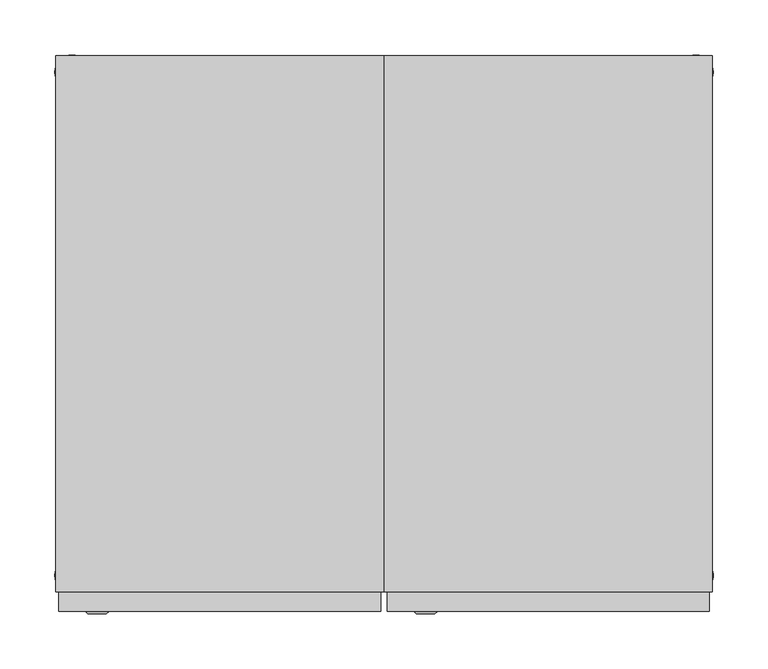
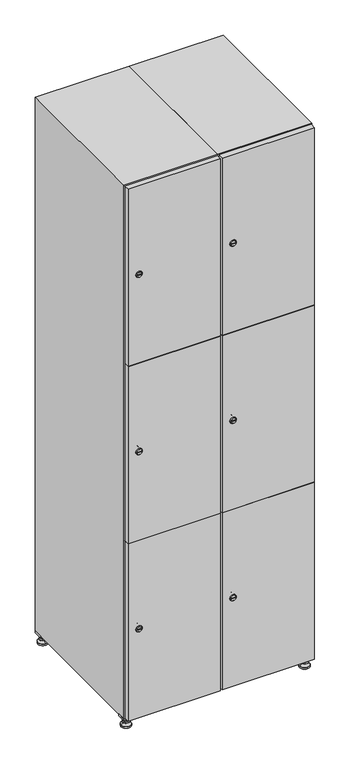
"""IFC4 building model written with IfcOpenShell, lengths in millimetres: furniture geometry."""

from ifc_helpers import new_model, si_unit, point, frame, frame_2d, origin, origin_with_axes, place, context, project, spatial, polyline, circle_curve, trimmed, segment, composite_curve, outline, extrude, faceted_brep, source, transform, mapped, element, save
from ifc_brep_helpers import plane_surface, revolved_surface, advanced_brep


def furniture_366f15eb(model_context):
    return source(origin(), model_context, "Body", "SolidModel", [
        extrude(outline(polyline([(400.0, 245.0), (400.0, 215.0), (370.0, 215.0), (370.0, 245.0), (400.0, 245.0)]), holes=[polyline([(398.0, 243.0), (372.0, 243.0), (372.0, 217.0), (398.0, 217.0), (398.0, 243.0)])]), frame((0.0, 0.0, 28.5), z_axis=(0.0, 0.0, 1.0), x_axis=(1.0, 0.0, 0.0)), (0.0, 0.0, 1.0), 6.5),
        extrude(outline(polyline([(370.0, -245.0), (370.0, -215.0), (400.0, -215.0), (400.0, -245.0), (370.0, -245.0)]), holes=[polyline([(372.0, -243.0), (398.0, -243.0), (398.0, -217.0), (372.0, -217.0), (372.0, -243.0)])]), frame((0.0, 0.0, 28.5), z_axis=(0.0, 0.0, 1.0), x_axis=(1.0, 0.0, 0.0)), (0.0, 0.0, 1.0), 6.5),
        extrude(outline(polyline([(-170.0, 245.0), (-170.0, 215.0), (-200.0, 215.0), (-200.0, 245.0), (-170.0, 245.0)]), holes=[polyline([(-172.0, 243.0), (-198.0, 243.0), (-198.0, 217.0), (-172.0, 217.0), (-172.0, 243.0)])]), frame((0.0, 0.0, 28.5), z_axis=(0.0, 0.0, 1.0), x_axis=(1.0, 0.0, 0.0)), (0.0, 0.0, 1.0), 6.5),
        extrude(outline(polyline([(-170.0, -215.0), (-170.0, -245.0), (-200.0, -245.0), (-200.0, -215.0), (-170.0, -215.0)]), holes=[polyline([(-198.0, -243.0), (-172.0, -243.0), (-172.0, -217.0), (-198.0, -217.0), (-198.0, -243.0)])]), frame((0.0, 0.0, 28.5), z_axis=(0.0, 0.0, 1.0), x_axis=(1.0, 0.0, 0.0)), (0.0, 0.0, 1.0), 6.5),
        extrude(outline(composite_curve([segment(trimmed(circle_curve(frame_2d((-185.0, 230.0)), 5.0), [point((-180.0, 230.0))], [point((-190.0, 230.0))], False, "CARTESIAN"), True, "CONTINUOUS"), segment(trimmed(circle_curve(frame_2d((-185.0, 230.0)), 5.0), [point((-190.0, 230.0))], [point((-180.0, 230.0))], False, "CARTESIAN"), True, "CONTINUOUS")], self_intersect=False)), frame((0.0, 0.0, 19.6), z_axis=(0.0, 0.0, 1.0), x_axis=(1.0, 0.0, 0.0)), (0.0, 0.0, 1.0), 15.4),
        extrude(outline(composite_curve([segment(trimmed(circle_curve(frame_2d((-185.0, -230.0)), 5.0), [point((-180.0, -230.0))], [point((-190.0, -230.0))], False, "CARTESIAN"), True, "CONTINUOUS"), segment(trimmed(circle_curve(frame_2d((-185.0, -230.0)), 5.0), [point((-190.0, -230.0))], [point((-180.0, -230.0))], False, "CARTESIAN"), True, "CONTINUOUS")], self_intersect=False)), frame((0.0, 0.0, 19.6), z_axis=(0.0, 0.0, 1.0), x_axis=(1.0, 0.0, 0.0)), (0.0, 0.0, 1.0), 15.4),
        extrude(outline(composite_curve([segment(trimmed(circle_curve(frame_2d((385.0, 230.0)), 5.0), [point((390.0, 230.0))], [point((380.0, 230.0))], False, "CARTESIAN"), True, "CONTINUOUS"), segment(trimmed(circle_curve(frame_2d((385.0, 230.0)), 5.0), [point((380.0, 230.0))], [point((390.0, 230.0))], False, "CARTESIAN"), True, "CONTINUOUS")], self_intersect=False)), frame((0.0, 0.0, 19.6), z_axis=(0.0, 0.0, 1.0), x_axis=(1.0, 0.0, 0.0)), (0.0, 0.0, 1.0), 15.4),
        extrude(outline(polyline([(373.4529946, 230.0), (379.2264973, 240.0), (390.7735027, 240.0), (396.5470054, 230.0), (390.7735027, 220.0), (379.2264973, 220.0), (373.4529946, 230.0)])), frame((0.0, 0.0, 13.6), z_axis=(0.0, 0.0, 1.0), x_axis=(1.0, 0.0, 0.0)), (0.0, 0.0, 1.0), 6.0),
        extrude(outline(composite_curve([segment(trimmed(circle_curve(frame_2d((385.0, -230.0)), 5.0), [point((390.0, -230.0))], [point((380.0, -230.0))], False, "CARTESIAN"), True, "CONTINUOUS"), segment(trimmed(circle_curve(frame_2d((385.0, -230.0)), 5.0), [point((380.0, -230.0))], [point((390.0, -230.0))], False, "CARTESIAN"), True, "CONTINUOUS")], self_intersect=False)), frame((0.0, 0.0, 19.6), z_axis=(0.0, 0.0, 1.0), x_axis=(1.0, 0.0, 0.0)), (0.0, 0.0, 1.0), 15.4),
        extrude(outline(polyline([(373.4529946, -230.0), (379.2264973, -220.0), (390.7735027, -220.0), (396.5470054, -230.0), (390.7735027, -240.0), (379.2264973, -240.0), (373.4529946, -230.0)])), frame((0.0, 0.0, 13.6), z_axis=(0.0, 0.0, 1.0), x_axis=(1.0, 0.0, 0.0)), (0.0, 0.0, 1.0), 6.0),
        extrude(outline(composite_curve([segment(trimmed(circle_curve(frame_2d((385.0, 230.0)), 5.0), [point((390.0, 230.0))], [point((380.0, 230.0))], False, "CARTESIAN"), True, "CONTINUOUS"), segment(trimmed(circle_curve(frame_2d((385.0, 230.0)), 5.0), [point((380.0, 230.0))], [point((390.0, 230.0))], False, "CARTESIAN"), True, "CONTINUOUS")], self_intersect=False)), frame((0.0, 0.0, 12.1), z_axis=(0.0, 0.0, 1.0), x_axis=(1.0, 0.0, 0.0)), (0.0, 0.0, 1.0), 1.5),
        extrude(outline(composite_curve([segment(trimmed(circle_curve(frame_2d((385.0, -230.0)), 5.0), [point((390.0, -230.0))], [point((380.0, -230.0))], False, "CARTESIAN"), True, "CONTINUOUS"), segment(trimmed(circle_curve(frame_2d((385.0, -230.0)), 5.0), [point((380.0, -230.0))], [point((390.0, -230.0))], False, "CARTESIAN"), True, "CONTINUOUS")], self_intersect=False)), frame((0.0, 0.0, 12.1), z_axis=(0.0, 0.0, 1.0), x_axis=(1.0, 0.0, 0.0)), (0.0, 0.0, 1.0), 1.5),
        extrude(outline(polyline([(-196.5470054, 230.0), (-190.7735027, 240.0), (-179.2264973, 240.0), (-173.4529946, 230.0), (-179.2264973, 220.0), (-190.7735027, 220.0), (-196.5470054, 230.0)])), frame((0.0, 0.0, 13.6), z_axis=(0.0, 0.0, 1.0), x_axis=(1.0, 0.0, 0.0)), (0.0, 0.0, 1.0), 6.0),
        extrude(outline(polyline([(-196.5470054, -230.0), (-190.7735027, -220.0), (-179.2264973, -220.0), (-173.4529946, -230.0), (-179.2264973, -240.0), (-190.7735027, -240.0), (-196.5470054, -230.0)])), frame((0.0, 0.0, 13.6), z_axis=(0.0, 0.0, 1.0), x_axis=(1.0, 0.0, 0.0)), (0.0, 0.0, 1.0), 6.0),
        extrude(outline(composite_curve([segment(trimmed(circle_curve(frame_2d((-185.0, 230.0)), 5.0), [point((-185.0, 235.0))], [point((-185.0, 225.0))], False, "CARTESIAN"), True, "CONTINUOUS"), segment(trimmed(circle_curve(frame_2d((-185.0, 230.0)), 5.0), [point((-185.0, 225.0))], [point((-185.0, 235.0))], False, "CARTESIAN"), True, "CONTINUOUS")], self_intersect=False)), frame((0.0, 0.0, 12.1), z_axis=(0.0, 0.0, 1.0), x_axis=(1.0, 0.0, 0.0)), (0.0, 0.0, 1.0), 1.5),
        extrude(outline(composite_curve([segment(trimmed(circle_curve(frame_2d((-185.0, -230.0)), 5.0), [point((-180.0, -230.0))], [point((-190.0, -230.0))], False, "CARTESIAN"), True, "CONTINUOUS"), segment(trimmed(circle_curve(frame_2d((-185.0, -230.0)), 5.0), [point((-190.0, -230.0))], [point((-180.0, -230.0))], False, "CARTESIAN"), True, "CONTINUOUS")], self_intersect=False)), frame((0.0, 0.0, 12.1), z_axis=(0.0, 0.0, 1.0), x_axis=(1.0, 0.0, 0.0)), (0.0, 0.0, 1.0), 1.5),
        extrude(outline(composite_curve([segment(trimmed(circle_curve(frame_2d((385.0, 230.0)), 15.75), [point((400.75, 230.0))], [point((369.25, 230.0))], False, "CARTESIAN"), True, "CONTINUOUS"), segment(trimmed(circle_curve(frame_2d((385.0, 230.0)), 15.75), [point((369.25, 230.0))], [point((400.75, 230.0))], False, "CARTESIAN"), True, "CONTINUOUS")], self_intersect=False)), origin_with_axes(), (0.0, 0.0, 1.0), 5.1),
        extrude(outline(composite_curve([segment(trimmed(circle_curve(frame_2d((385.0, -230.0)), 15.75), [point((385.0, -214.25))], [point((385.0, -245.75))], False, "CARTESIAN"), True, "CONTINUOUS"), segment(trimmed(circle_curve(frame_2d((385.0, -230.0)), 15.75), [point((385.0, -245.75))], [point((385.0, -214.25))], False, "CARTESIAN"), True, "CONTINUOUS")], self_intersect=False)), origin_with_axes(), (0.0, 0.0, 1.0), 5.1),
        extrude(outline(composite_curve([segment(trimmed(circle_curve(frame_2d((-185.0, -230.0)), 15.75), [point((-169.25, -230.0))], [point((-200.75, -230.0))], False, "CARTESIAN"), True, "CONTINUOUS"), segment(trimmed(circle_curve(frame_2d((-185.0, -230.0)), 15.75), [point((-200.75, -230.0))], [point((-169.25, -230.0))], False, "CARTESIAN"), True, "CONTINUOUS")], self_intersect=False)), origin_with_axes(), (0.0, 0.0, 1.0), 5.1),
        extrude(outline(composite_curve([segment(trimmed(circle_curve(frame_2d((-185.0, 230.0)), 15.75), [point((-169.25, 230.0))], [point((-200.75, 230.0))], False, "CARTESIAN"), True, "CONTINUOUS"), segment(trimmed(circle_curve(frame_2d((-185.0, 230.0)), 15.75), [point((-200.75, 230.0))], [point((-169.25, 230.0))], False, "CARTESIAN"), True, "CONTINUOUS")], self_intersect=False)), origin_with_axes(), (0.0, 0.0, 1.0), 5.1),
        advanced_brep(
        [(-185.0, 239.5, 12.1), (-185.0, 220.5, 12.1), (-185.0, 214.25, 5.1), (-185.0, 245.75, 5.1)],
        [
            (0, 1, circle_curve(frame((-185.0, 230.0, 12.1), z_axis=(0.0, 0.0, -1.0), x_axis=(0.0, 1.0, 0.0)), 9.5)),
            (1, 2),
            (2, 3, circle_curve(frame((-185.0, 230.0, 5.1), z_axis=(0.0, 0.0, 1.0), x_axis=(0.0, 1.0, 0.0)), 15.75)),
            (3, 0),
            (1, 0, circle_curve(frame((-185.0, 230.0, 12.1), z_axis=(0.0, 0.0, -1.0), x_axis=(0.0, -1.0, 0.0)), 9.5)),
            (3, 2, circle_curve(frame((-185.0, 230.0, 5.1), z_axis=(0.0, 0.0, 1.0), x_axis=(0.0, -1.0, 0.0)), 15.75)),
        ],
        [
            revolved_surface(polyline([(-185.0, 220.5, 12.099999999999998), (-185.0, 214.25, 5.099999999999998)]), (-185.0, 230.0, 22.74), (0.0, 0.0, -1.0)),
            revolved_surface(polyline([(-185.0, 239.5, 12.099999999999998), (-185.0, 245.75, 5.099999999999998)]), (-185.0, 230.0, 22.74), (0.0, 0.0, -1.0)),
            plane_surface(frame((-185.0, 230.0, 5.1), z_axis=(0.0, 0.0, -1.0), x_axis=(1.0, 0.0, 0.0))),
            plane_surface(frame((-185.0, 230.0, 12.1), z_axis=(0.0, 0.0, 1.0), x_axis=(1.0, 0.0, 0.0))),
        ],
        [
            (0, [[1, 2, 3, 4]]),
            (1, [[5, -4, 6, -2]]),
            (2, [[-3, -6]]),
            (3, [[-5, -1]]),
        ],
    ),
        advanced_brep(
        [(385.0, 239.5, 12.1), (385.0, 220.5, 12.1), (385.0, 214.25, 5.1), (385.0, 245.75, 5.1)],
        [
            (0, 1, circle_curve(frame((385.0, 230.0, 12.1), z_axis=(0.0, 0.0, -1.0), x_axis=(0.0, 1.0, 0.0)), 9.5)),
            (1, 2),
            (2, 3, circle_curve(frame((385.0, 230.0, 5.1), z_axis=(0.0, 0.0, 1.0), x_axis=(0.0, 1.0, 0.0)), 15.75)),
            (3, 0),
            (1, 0, circle_curve(frame((385.0, 230.0, 12.1), z_axis=(0.0, 0.0, -1.0), x_axis=(0.0, -1.0, 0.0)), 9.5)),
            (3, 2, circle_curve(frame((385.0, 230.0, 5.1), z_axis=(0.0, 0.0, 1.0), x_axis=(0.0, -1.0, 0.0)), 15.75)),
        ],
        [
            revolved_surface(polyline([(385.0, 220.5, 12.099999999999998), (385.0, 214.25, 5.099999999999998)]), (385.0, 230.0, 22.74), (0.0, 0.0, -1.0)),
            revolved_surface(polyline([(385.0, 239.5, 12.099999999999998), (385.0, 245.75, 5.099999999999998)]), (385.0, 230.0, 22.74), (0.0, 0.0, -1.0)),
            plane_surface(frame((385.0, 230.0, 5.1), z_axis=(0.0, 0.0, -1.0), x_axis=(1.0, 0.0, 0.0))),
            plane_surface(frame((385.0, 230.0, 12.1), z_axis=(0.0, 0.0, 1.0), x_axis=(1.0, 0.0, 0.0))),
        ],
        [
            (0, [[1, 2, 3, 4]]),
            (1, [[5, -4, 6, -2]]),
            (2, [[-3, -6]]),
            (3, [[-5, -1]]),
        ],
    ),
        advanced_brep(
        [(400.75, -230.0, 5.1), (369.25, -230.0, 5.1), (375.5, -230.0, 12.1), (394.5, -230.0, 12.1)],
        [
            (0, 1, circle_curve(frame((385.0, -230.0, 5.1), z_axis=(0.0, 0.0, 1.0), x_axis=(1.0, 0.0, 0.0)), 15.75)),
            (1, 2),
            (2, 3, circle_curve(frame((385.0, -230.0, 12.1), z_axis=(0.0, 0.0, -1.0), x_axis=(1.0, 0.0, 0.0)), 9.5)),
            (3, 0),
            (1, 0, circle_curve(frame((385.0, -230.0, 5.1), z_axis=(0.0, 0.0, 1.0), x_axis=(-1.0, 0.0, 0.0)), 15.75)),
            (3, 2, circle_curve(frame((385.0, -230.0, 12.1), z_axis=(0.0, 0.0, -1.0), x_axis=(-1.0, 0.0, 0.0)), 9.5)),
        ],
        [
            revolved_surface(polyline([(394.5, -230.0, 12.099999999999998), (400.75, -230.0, 5.099999999999998)]), (385.0, -230.0, 22.74), (0.0, 0.0, -1.0)),
            revolved_surface(polyline([(375.5, -230.0, 12.099999999999998), (369.25, -230.0, 5.099999999999998)]), (385.0, -230.0, 22.74), (0.0, 0.0, -1.0)),
            plane_surface(frame((385.0, -230.0, 12.1), z_axis=(0.0, 0.0, 1.0), x_axis=(0.0, 1.0, 0.0))),
            plane_surface(frame((385.0, -230.0, 5.1), z_axis=(0.0, 0.0, -1.0), x_axis=(0.0, 1.0, 0.0))),
        ],
        [
            (0, [[1, 2, 3, 4]]),
            (1, [[5, -4, 6, -2]]),
            (2, [[-3, -6]]),
            (3, [[-5, -1]]),
        ],
    ),
        advanced_brep(
        [(-169.25, -230.0, 5.1), (-200.75, -230.0, 5.1), (-194.5, -230.0, 12.1), (-175.5, -230.0, 12.1)],
        [
            (0, 1, circle_curve(frame((-185.0, -230.0, 5.1), z_axis=(0.0, 0.0, 1.0), x_axis=(1.0, 0.0, 0.0)), 15.75)),
            (1, 2),
            (2, 3, circle_curve(frame((-185.0, -230.0, 12.1), z_axis=(0.0, 0.0, -1.0), x_axis=(1.0, 0.0, 0.0)), 9.5)),
            (3, 0),
            (1, 0, circle_curve(frame((-185.0, -230.0, 5.1), z_axis=(0.0, 0.0, 1.0), x_axis=(-1.0, 0.0, 0.0)), 15.75)),
            (3, 2, circle_curve(frame((-185.0, -230.0, 12.1), z_axis=(0.0, 0.0, -1.0), x_axis=(-1.0, 0.0, 0.0)), 9.5)),
        ],
        [
            revolved_surface(polyline([(-175.5, -230.0, 12.099999999999998), (-169.25, -230.0, 5.099999999999998)]), (-185.0, -230.0, 22.74), (0.0, 0.0, -1.0)),
            revolved_surface(polyline([(-194.5, -230.0, 12.099999999999998), (-200.75, -230.0, 5.099999999999998)]), (-185.0, -230.0, 22.74), (0.0, 0.0, -1.0)),
            plane_surface(frame((-185.0, -230.0, 12.1), z_axis=(0.0, 0.0, 1.0), x_axis=(0.0, 1.0, 0.0))),
            plane_surface(frame((-185.0, -230.0, 5.1), z_axis=(0.0, 0.0, -1.0), x_axis=(0.0, 1.0, 0.0))),
        ],
        [
            (0, [[1, 2, 3, 4]]),
            (1, [[5, -4, 6, -2]]),
            (2, [[-3, -6]]),
            (3, [[-5, -1]]),
        ],
    ),
        extrude(outline(composite_curve([segment(trimmed(circle_curve(frame_2d((337.0, 111.2010534)), 7.0), [point((344.0, 111.2010534))], [point((330.0, 111.2010534))], False, "CARTESIAN"), True, "CONTINUOUS"), segment(polyline([(330.0, 111.2010534), (330.0, 139.2010534)]), True, "CONTINUOUS"), segment(trimmed(circle_curve(frame_2d((337.0, 139.2010534)), 7.0), [point((330.0, 139.2010534))], [point((344.0, 139.2010534))], False, "CARTESIAN"), True, "CONTINUOUS"), segment(polyline([(344.0, 139.2010534), (344.0, 111.2010534)]), True, "CONTINUOUS")], self_intersect=False)), frame((0.0, -245.0, 0.0), z_axis=(0.0, 1.0, 0.0), x_axis=(0.0, 0.0, 1.0)), (0.0, 0.0, 1.0), 2.0),
        advanced_brep(
        [(146.5, -265.2, 337.0), (129.5, -265.2, 337.0), (133.0, -265.2, 335.75), (133.0, -265.2, 338.25), (143.0, -265.2, 338.25), (143.0, -265.2, 335.75), (148.5, -263.0, 337.0), (127.5, -263.0, 337.0), (133.0, -263.0, 338.25), (133.0, -263.0, 335.75), (143.0, -263.0, 335.75), (143.0, -263.0, 338.25)],
        [
            (0, 1, circle_curve(frame((138.0, -265.2, 337.0), z_axis=(0.0, -1.0, 0.0), x_axis=(1.0, 0.0, 0.0)), 8.5)),
            (1, 0, circle_curve(frame((138.0, -265.2, 337.0), z_axis=(0.0, -1.0, 0.0), x_axis=(-1.0, 0.0, 0.0)), 8.5)),
            (2, 3),
            (3, 4),
            (4, 5),
            (5, 2),
            (6, 7, circle_curve(frame((138.0, -263.0, 337.0), z_axis=(0.0, 1.0, 0.0), x_axis=(-1.0, 0.0, 0.0)), 10.5)),
            (7, 6, circle_curve(frame((138.0, -263.0, 337.0), z_axis=(0.0, 1.0, 0.0), x_axis=(1.0, 0.0, 0.0)), 10.5)),
            (8, 9),
            (9, 10),
            (10, 11),
            (11, 8),
            (0, 6),
            (7, 1),
            (8, 3),
            (2, 9),
            (11, 4),
            (10, 5),
        ],
        [
            plane_surface(frame((138.0, -265.2, 337.0), z_axis=(0.0, -1.0, 0.0), x_axis=(0.0, 0.0, 1.0))),
            plane_surface(frame((138.0, -263.0, 337.0), z_axis=(0.0, 1.0, 0.0), x_axis=(0.0, 0.0, 1.0))),
            revolved_surface(polyline([(146.5, -265.2, 337.0), (148.5, -263.0, 337.0)]), (138.0, -274.55, 337.0), (0.0, 1.0, 0.0)),
            revolved_surface(polyline([(129.5, -265.2, 337.0), (127.5, -263.0, 337.0)]), (138.0, -274.55, 337.0), (0.0, 1.0, 0.0)),
            plane_surface(frame((133.0, -263.0, 335.75), z_axis=(1.0, 0.0, 0.0), x_axis=(0.0, -1.0, 0.0))),
            plane_surface(frame((133.0, -263.0, 338.25), z_axis=(0.0, 0.0, -1.0), x_axis=(0.0, -1.0, 0.0))),
            plane_surface(frame((143.0, -263.0, 338.25), z_axis=(-1.0, 0.0, 0.0), x_axis=(0.0, -1.0, 0.0))),
            plane_surface(frame((143.0, -263.0, 335.75), z_axis=(0.0, 0.0, 1.0), x_axis=(0.0, -1.0, 0.0))),
        ],
        [
            (0, [[1, 2], [3, 4, 5, 6]]),
            (1, [[7, 8], [9, 10, 11, 12]]),
            (2, [[-1, 13, -8, 14]]),
            (3, [[-2, -14, -7, -13]]),
            (4, [[15, -3, 16, -9]]),
            (5, [[-15, -12, 17, -4]]),
            (6, [[-17, -11, 18, -5]]),
            (7, [[-16, -6, -18, -10]]),
        ],
    ),
        extrude(outline(composite_curve([segment(trimmed(circle_curve(frame_2d((935.0, 111.2010534)), 7.0), [point((942.0, 111.2010534))], [point((928.0, 111.2010534))], False, "CARTESIAN"), True, "CONTINUOUS"), segment(polyline([(928.0, 111.2010534), (928.0, 139.2010534)]), True, "CONTINUOUS"), segment(trimmed(circle_curve(frame_2d((935.0, 139.2010534)), 7.0), [point((928.0, 139.2010534))], [point((942.0, 139.2010534))], False, "CARTESIAN"), True, "CONTINUOUS"), segment(polyline([(942.0, 139.2010534), (942.0, 111.2010534)]), True, "CONTINUOUS")], self_intersect=False)), frame((0.0, -245.0, 0.0), z_axis=(0.0, 1.0, 0.0), x_axis=(0.0, 0.0, 1.0)), (0.0, 0.0, 1.0), 2.0),
        advanced_brep(
        [(146.5, -265.2, 935.0), (129.5, -265.2, 935.0), (133.0, -265.2, 933.75), (133.0, -265.2, 936.25), (143.0, -265.2, 936.25), (143.0, -265.2, 933.75), (148.5, -263.0, 935.0), (127.5, -263.0, 935.0), (133.0, -263.0, 936.25), (133.0, -263.0, 933.75), (143.0, -263.0, 933.75), (143.0, -263.0, 936.25)],
        [
            (0, 1, circle_curve(frame((138.0, -265.2, 935.0), z_axis=(0.0, -1.0, 0.0), x_axis=(1.0, 0.0, 0.0)), 8.5)),
            (1, 0, circle_curve(frame((138.0, -265.2, 935.0), z_axis=(0.0, -1.0, 0.0), x_axis=(-1.0, 0.0, 0.0)), 8.5)),
            (2, 3),
            (3, 4),
            (4, 5),
            (5, 2),
            (6, 7, circle_curve(frame((138.0, -263.0, 935.0), z_axis=(0.0, 1.0, 0.0), x_axis=(-1.0, 0.0, 0.0)), 10.5)),
            (7, 6, circle_curve(frame((138.0, -263.0, 935.0), z_axis=(0.0, 1.0, 0.0), x_axis=(1.0, 0.0, 0.0)), 10.5)),
            (8, 9),
            (9, 10),
            (10, 11),
            (11, 8),
            (0, 6),
            (7, 1),
            (8, 3),
            (2, 9),
            (11, 4),
            (10, 5),
        ],
        [
            plane_surface(frame((138.0, -265.2, 935.0), z_axis=(0.0, -1.0, 0.0), x_axis=(0.0, 0.0, 1.0))),
            plane_surface(frame((138.0, -263.0, 935.0), z_axis=(0.0, 1.0, 0.0), x_axis=(0.0, 0.0, 1.0))),
            revolved_surface(polyline([(146.5, -265.2, 935.0), (148.5, -263.0, 935.0)]), (138.0, -274.55, 935.0), (0.0, 1.0, 0.0)),
            revolved_surface(polyline([(129.5, -265.2, 935.0), (127.5, -263.0, 935.0)]), (138.0, -274.55, 935.0), (0.0, 1.0, 0.0)),
            plane_surface(frame((133.0, -263.0, 933.75), z_axis=(1.0, 0.0, 0.0), x_axis=(0.0, -1.0, 0.0))),
            plane_surface(frame((133.0, -263.0, 936.25), z_axis=(0.0, 0.0, -1.0), x_axis=(0.0, -1.0, 0.0))),
            plane_surface(frame((143.0, -263.0, 936.25), z_axis=(-1.0, 0.0, 0.0), x_axis=(0.0, -1.0, 0.0))),
            plane_surface(frame((143.0, -263.0, 933.75), z_axis=(0.0, 0.0, 1.0), x_axis=(0.0, -1.0, 0.0))),
        ],
        [
            (0, [[1, 2], [3, 4, 5, 6]]),
            (1, [[7, 8], [9, 10, 11, 12]]),
            (2, [[-1, 13, -8, 14]]),
            (3, [[-2, -14, -7, -13]]),
            (4, [[15, -3, 16, -9]]),
            (5, [[-15, -12, 17, -4]]),
            (6, [[-17, -11, 18, -5]]),
            (7, [[-16, -6, -18, -10]]),
        ],
    ),
        extrude(outline(composite_curve([segment(trimmed(circle_curve(frame_2d((1533.0, 111.2010534)), 7.0), [point((1540.0, 111.2010534))], [point((1526.0, 111.2010534))], False, "CARTESIAN"), True, "CONTINUOUS"), segment(polyline([(1526.0, 111.2010534), (1526.0, 139.2010534)]), True, "CONTINUOUS"), segment(trimmed(circle_curve(frame_2d((1533.0, 139.2010534)), 7.0), [point((1526.0, 139.2010534))], [point((1540.0, 139.2010534))], False, "CARTESIAN"), True, "CONTINUOUS"), segment(polyline([(1540.0, 139.2010534), (1540.0, 111.2010534)]), True, "CONTINUOUS")], self_intersect=False)), frame((0.0, -245.0, 0.0), z_axis=(0.0, 1.0, 0.0), x_axis=(0.0, 0.0, 1.0)), (0.0, 0.0, 1.0), 2.0),
        advanced_brep(
        [(146.5, -265.2, 1533.0), (129.5, -265.2, 1533.0), (133.0, -265.2, 1531.75), (133.0, -265.2, 1534.25), (143.0, -265.2, 1534.25), (143.0, -265.2, 1531.75), (148.5, -263.0, 1533.0), (127.5, -263.0, 1533.0), (133.0, -263.0, 1534.25), (133.0, -263.0, 1531.75), (143.0, -263.0, 1531.75), (143.0, -263.0, 1534.25)],
        [
            (0, 1, circle_curve(frame((138.0, -265.2, 1533.0), z_axis=(0.0, -1.0, 0.0), x_axis=(1.0, 0.0, 0.0)), 8.5)),
            (1, 0, circle_curve(frame((138.0, -265.2, 1533.0), z_axis=(0.0, -1.0, 0.0), x_axis=(-1.0, 0.0, 0.0)), 8.5)),
            (2, 3),
            (3, 4),
            (4, 5),
            (5, 2),
            (6, 7, circle_curve(frame((138.0, -263.0, 1533.0), z_axis=(0.0, 1.0, 0.0), x_axis=(-1.0, 0.0, 0.0)), 10.5)),
            (7, 6, circle_curve(frame((138.0, -263.0, 1533.0), z_axis=(0.0, 1.0, 0.0), x_axis=(1.0, 0.0, 0.0)), 10.5)),
            (8, 9),
            (9, 10),
            (10, 11),
            (11, 8),
            (0, 6),
            (7, 1),
            (8, 3),
            (2, 9),
            (11, 4),
            (10, 5),
        ],
        [
            plane_surface(frame((138.0, -265.2, 1533.0), z_axis=(0.0, -1.0, 0.0), x_axis=(0.0, 0.0, 1.0))),
            plane_surface(frame((138.0, -263.0, 1533.0), z_axis=(0.0, 1.0, 0.0), x_axis=(0.0, 0.0, 1.0))),
            revolved_surface(polyline([(146.5, -265.2, 1533.0), (148.5, -263.0, 1533.0)]), (138.0, -274.55, 1533.0), (0.0, 1.0, 0.0)),
            revolved_surface(polyline([(129.5, -265.2, 1533.0), (127.5, -263.0, 1533.0)]), (138.0, -274.55, 1533.0), (0.0, 1.0, 0.0)),
            plane_surface(frame((133.0, -263.0, 1531.75), z_axis=(1.0, 0.0, 0.0), x_axis=(0.0, -1.0, 0.0))),
            plane_surface(frame((133.0, -263.0, 1534.25), z_axis=(0.0, 0.0, -1.0), x_axis=(0.0, -1.0, 0.0))),
            plane_surface(frame((143.0, -263.0, 1534.25), z_axis=(-1.0, 0.0, 0.0), x_axis=(0.0, -1.0, 0.0))),
            plane_surface(frame((143.0, -263.0, 1531.75), z_axis=(0.0, 0.0, 1.0), x_axis=(0.0, -1.0, 0.0))),
        ],
        [
            (0, [[1, 2], [3, 4, 5, 6]]),
            (1, [[7, 8], [9, 10, 11, 12]]),
            (2, [[-1, 13, -8, 14]]),
            (3, [[-2, -14, -7, -13]]),
            (4, [[15, -3, 16, -9]]),
            (5, [[-15, -12, 17, -4]]),
            (6, [[-17, -11, 18, -5]]),
            (7, [[-16, -6, -18, -10]]),
        ],
    ),
        extrude(outline(polyline([(397.0, -245.0), (397.0, -263.0), (103.0, -263.0), (103.0, -245.0), (397.0, -245.0)])), frame((0.0, 0.0, 636.5), z_axis=(0.0, 0.0, 1.0), x_axis=(1.0, 0.0, 0.0)), (0.0, 0.0, 1.0), 597.0),
        extrude(outline(polyline([(103.0, -263.0), (103.0, -245.0), (397.0, -245.0), (397.0, -263.0), (103.0, -263.0)])), frame((0.0, 0.0, 1234.5), z_axis=(0.0, 0.0, 1.0), x_axis=(1.0, 0.0, 0.0)), (0.0, 0.0, 1.0), 597.5),
        extrude(outline(polyline([(397.0, -245.0), (397.0, -263.0), (103.0, -263.0), (103.0, -245.0), (397.0, -245.0)])), frame((0.0, 0.0, 38.0), z_axis=(0.0, 0.0, 1.0), x_axis=(1.0, 0.0, 0.0)), (0.0, 0.0, 1.0), 597.5),
        extrude(outline(polyline([(379.6, 242.0), (379.6, -227.0), (120.4, -227.0), (120.4, 242.0), (379.6, 242.0)])), frame((0.0, 0.0, 1214.7333333), z_axis=(0.0, 0.0, 1.0), x_axis=(1.0, 0.0, 0.0)), (0.0, 0.0, 1.0), 20.4),
        extrude(outline(polyline([(120.4, 242.0), (379.6, 242.0), (379.6, -227.0), (120.4, -227.0), (120.4, 242.0)])), frame((0.0, 0.0, 634.8666667), z_axis=(0.0, 0.0, 1.0), x_axis=(1.0, 0.0, 0.0)), (0.0, 0.0, 1.0), 20.4),
        faceted_brep([(400.0, -245.0, 35.0), (400.0, -245.0, 1835.0), (100.0, -245.0, 1835.0), (100.0, -245.0, 35.0), (379.6, -245.0, 1804.8), (379.6, -245.0, 65.2), (120.4, -245.0, 65.2), (120.4, -245.0, 1804.8), (400.0, 245.0, 35.0), (100.0, 245.0, 35.0), (400.0, 245.0, 1835.0), (100.0, 245.0, 1835.0), (379.6, 242.0, 1804.8), (379.6, 242.0, 65.2), (100.0, 245.0, 1804.8), (120.4, 242.0, 1804.8), (120.4, 242.0, 65.2)], [[[0, 1, 2, 3], [4, 5, 6, 7]], [[8, 0, 3, 9]], [[1, 0, 8, 10]], [[1, 10, 11, 2]], [[4, 12, 13, 5]], [[9, 3, 2, 11, 14]], [[10, 8, 9, 14, 11]], [[12, 15, 16, 13]], [[15, 7, 6, 16]], [[4, 7, 15, 12]], [[6, 5, 13, 16]]]),
        extrude(outline(composite_curve([segment(trimmed(circle_curve(frame_2d((337.0, -188.7989466)), 7.0), [point((344.0, -188.7989466))], [point((330.0, -188.7989466))], False, "CARTESIAN"), True, "CONTINUOUS"), segment(polyline([(330.0, -188.7989466), (330.0, -160.7989466)]), True, "CONTINUOUS"), segment(trimmed(circle_curve(frame_2d((337.0, -160.7989466)), 7.0), [point((330.0, -160.7989466))], [point((344.0, -160.7989466))], False, "CARTESIAN"), True, "CONTINUOUS"), segment(polyline([(344.0, -160.7989466), (344.0, -188.7989466)]), True, "CONTINUOUS")], self_intersect=False)), frame((0.0, -245.0, 0.0), z_axis=(0.0, 1.0, 0.0), x_axis=(0.0, 0.0, 1.0)), (0.0, 0.0, 1.0), 2.0),
        advanced_brep(
        [(-153.5, -265.2, 337.0), (-170.5, -265.2, 337.0), (-167.0, -265.2, 335.75), (-167.0, -265.2, 338.25), (-157.0, -265.2, 338.25), (-157.0, -265.2, 335.75), (-151.5, -263.0, 337.0), (-172.5, -263.0, 337.0), (-167.0, -263.0, 338.25), (-167.0, -263.0, 335.75), (-157.0, -263.0, 335.75), (-157.0, -263.0, 338.25)],
        [
            (0, 1, circle_curve(frame((-162.0, -265.2, 337.0), z_axis=(0.0, -1.0, 0.0), x_axis=(1.0, 0.0, 0.0)), 8.5)),
            (1, 0, circle_curve(frame((-162.0, -265.2, 337.0), z_axis=(0.0, -1.0, 0.0), x_axis=(-1.0, 0.0, 0.0)), 8.5)),
            (2, 3),
            (3, 4),
            (4, 5),
            (5, 2),
            (6, 7, circle_curve(frame((-162.0, -263.0, 337.0), z_axis=(0.0, 1.0, 0.0), x_axis=(-1.0, 0.0, 0.0)), 10.5)),
            (7, 6, circle_curve(frame((-162.0, -263.0, 337.0), z_axis=(0.0, 1.0, 0.0), x_axis=(1.0, 0.0, 0.0)), 10.5)),
            (8, 9),
            (9, 10),
            (10, 11),
            (11, 8),
            (0, 6),
            (7, 1),
            (8, 3),
            (2, 9),
            (11, 4),
            (10, 5),
        ],
        [
            plane_surface(frame((-162.0, -265.2, 337.0), z_axis=(0.0, -1.0, 0.0), x_axis=(0.0, 0.0, 1.0))),
            plane_surface(frame((-162.0, -263.0, 337.0), z_axis=(0.0, 1.0, 0.0), x_axis=(0.0, 0.0, 1.0))),
            revolved_surface(polyline([(-153.5, -265.2, 337.0), (-151.5, -263.0, 337.0)]), (-162.0, -274.55, 337.0), (0.0, 1.0, 0.0)),
            revolved_surface(polyline([(-170.5, -265.2, 337.0), (-172.5, -263.0, 337.0)]), (-162.0, -274.55, 337.0), (0.0, 1.0, 0.0)),
            plane_surface(frame((-167.0, -263.0, 335.75), z_axis=(1.0, 0.0, 0.0), x_axis=(0.0, -1.0, 0.0))),
            plane_surface(frame((-167.0, -263.0, 338.25), z_axis=(0.0, 0.0, -1.0), x_axis=(0.0, -1.0, 0.0))),
            plane_surface(frame((-157.0, -263.0, 338.25), z_axis=(-1.0, 0.0, 0.0), x_axis=(0.0, -1.0, 0.0))),
            plane_surface(frame((-157.0, -263.0, 335.75), z_axis=(0.0, 0.0, 1.0), x_axis=(0.0, -1.0, 0.0))),
        ],
        [
            (0, [[1, 2], [3, 4, 5, 6]]),
            (1, [[7, 8], [9, 10, 11, 12]]),
            (2, [[-1, 13, -8, 14]]),
            (3, [[-2, -14, -7, -13]]),
            (4, [[15, -3, 16, -9]]),
            (5, [[-15, -12, 17, -4]]),
            (6, [[-17, -11, 18, -5]]),
            (7, [[-16, -6, -18, -10]]),
        ],
    ),
        extrude(outline(composite_curve([segment(trimmed(circle_curve(frame_2d((935.0, -188.7989466)), 7.0), [point((942.0, -188.7989466))], [point((928.0, -188.7989466))], False, "CARTESIAN"), True, "CONTINUOUS"), segment(polyline([(928.0, -188.7989466), (928.0, -160.7989466)]), True, "CONTINUOUS"), segment(trimmed(circle_curve(frame_2d((935.0, -160.7989466)), 7.0), [point((928.0, -160.7989466))], [point((942.0, -160.7989466))], False, "CARTESIAN"), True, "CONTINUOUS"), segment(polyline([(942.0, -160.7989466), (942.0, -188.7989466)]), True, "CONTINUOUS")], self_intersect=False)), frame((0.0, -245.0, 0.0), z_axis=(0.0, 1.0, 0.0), x_axis=(0.0, 0.0, 1.0)), (0.0, 0.0, 1.0), 2.0),
        advanced_brep(
        [(-153.5, -265.2, 935.0), (-170.5, -265.2, 935.0), (-167.0, -265.2, 933.75), (-167.0, -265.2, 936.25), (-157.0, -265.2, 936.25), (-157.0, -265.2, 933.75), (-151.5, -263.0, 935.0), (-172.5, -263.0, 935.0), (-167.0, -263.0, 936.25), (-167.0, -263.0, 933.75), (-157.0, -263.0, 933.75), (-157.0, -263.0, 936.25)],
        [
            (0, 1, circle_curve(frame((-162.0, -265.2, 935.0), z_axis=(0.0, -1.0, 0.0), x_axis=(1.0, 0.0, 0.0)), 8.5)),
            (1, 0, circle_curve(frame((-162.0, -265.2, 935.0), z_axis=(0.0, -1.0, 0.0), x_axis=(-1.0, 0.0, 0.0)), 8.5)),
            (2, 3),
            (3, 4),
            (4, 5),
            (5, 2),
            (6, 7, circle_curve(frame((-162.0, -263.0, 935.0), z_axis=(0.0, 1.0, 0.0), x_axis=(-1.0, 0.0, 0.0)), 10.5)),
            (7, 6, circle_curve(frame((-162.0, -263.0, 935.0), z_axis=(0.0, 1.0, 0.0), x_axis=(1.0, 0.0, 0.0)), 10.5)),
            (8, 9),
            (9, 10),
            (10, 11),
            (11, 8),
            (0, 6),
            (7, 1),
            (8, 3),
            (2, 9),
            (11, 4),
            (10, 5),
        ],
        [
            plane_surface(frame((-162.0, -265.2, 935.0), z_axis=(0.0, -1.0, 0.0), x_axis=(0.0, 0.0, 1.0))),
            plane_surface(frame((-162.0, -263.0, 935.0), z_axis=(0.0, 1.0, 0.0), x_axis=(0.0, 0.0, 1.0))),
            revolved_surface(polyline([(-153.5, -265.2, 935.0), (-151.5, -263.0, 935.0)]), (-162.0, -274.55, 935.0), (0.0, 1.0, 0.0)),
            revolved_surface(polyline([(-170.5, -265.2, 935.0), (-172.5, -263.0, 935.0)]), (-162.0, -274.55, 935.0), (0.0, 1.0, 0.0)),
            plane_surface(frame((-167.0, -263.0, 933.75), z_axis=(1.0, 0.0, 0.0), x_axis=(0.0, -1.0, 0.0))),
            plane_surface(frame((-167.0, -263.0, 936.25), z_axis=(0.0, 0.0, -1.0), x_axis=(0.0, -1.0, 0.0))),
            plane_surface(frame((-157.0, -263.0, 936.25), z_axis=(-1.0, 0.0, 0.0), x_axis=(0.0, -1.0, 0.0))),
            plane_surface(frame((-157.0, -263.0, 933.75), z_axis=(0.0, 0.0, 1.0), x_axis=(0.0, -1.0, 0.0))),
        ],
        [
            (0, [[1, 2], [3, 4, 5, 6]]),
            (1, [[7, 8], [9, 10, 11, 12]]),
            (2, [[-1, 13, -8, 14]]),
            (3, [[-2, -14, -7, -13]]),
            (4, [[15, -3, 16, -9]]),
            (5, [[-15, -12, 17, -4]]),
            (6, [[-17, -11, 18, -5]]),
            (7, [[-16, -6, -18, -10]]),
        ],
    ),
        extrude(outline(composite_curve([segment(trimmed(circle_curve(frame_2d((1533.0, -188.7989466)), 7.0), [point((1540.0, -188.7989466))], [point((1526.0, -188.7989466))], False, "CARTESIAN"), True, "CONTINUOUS"), segment(polyline([(1526.0, -188.7989466), (1526.0, -160.7989466)]), True, "CONTINUOUS"), segment(trimmed(circle_curve(frame_2d((1533.0, -160.7989466)), 7.0), [point((1526.0, -160.7989466))], [point((1540.0, -160.7989466))], False, "CARTESIAN"), True, "CONTINUOUS"), segment(polyline([(1540.0, -160.7989466), (1540.0, -188.7989466)]), True, "CONTINUOUS")], self_intersect=False)), frame((0.0, -245.0, 0.0), z_axis=(0.0, 1.0, 0.0), x_axis=(0.0, 0.0, 1.0)), (0.0, 0.0, 1.0), 2.0),
        advanced_brep(
        [(-153.5, -265.2, 1533.0), (-170.5, -265.2, 1533.0), (-167.0, -265.2, 1531.75), (-167.0, -265.2, 1534.25), (-157.0, -265.2, 1534.25), (-157.0, -265.2, 1531.75), (-151.5, -263.0, 1533.0), (-172.5, -263.0, 1533.0), (-167.0, -263.0, 1534.25), (-167.0, -263.0, 1531.75), (-157.0, -263.0, 1531.75), (-157.0, -263.0, 1534.25)],
        [
            (0, 1, circle_curve(frame((-162.0, -265.2, 1533.0), z_axis=(0.0, -1.0, 0.0), x_axis=(1.0, 0.0, 0.0)), 8.5)),
            (1, 0, circle_curve(frame((-162.0, -265.2, 1533.0), z_axis=(0.0, -1.0, 0.0), x_axis=(-1.0, 0.0, 0.0)), 8.5)),
            (2, 3),
            (3, 4),
            (4, 5),
            (5, 2),
            (6, 7, circle_curve(frame((-162.0, -263.0, 1533.0), z_axis=(0.0, 1.0, 0.0), x_axis=(-1.0, 0.0, 0.0)), 10.5)),
            (7, 6, circle_curve(frame((-162.0, -263.0, 1533.0), z_axis=(0.0, 1.0, 0.0), x_axis=(1.0, 0.0, 0.0)), 10.5)),
            (8, 9),
            (9, 10),
            (10, 11),
            (11, 8),
            (0, 6),
            (7, 1),
            (8, 3),
            (2, 9),
            (11, 4),
            (10, 5),
        ],
        [
            plane_surface(frame((-162.0, -265.2, 1533.0), z_axis=(0.0, -1.0, 0.0), x_axis=(0.0, 0.0, 1.0))),
            plane_surface(frame((-162.0, -263.0, 1533.0), z_axis=(0.0, 1.0, 0.0), x_axis=(0.0, 0.0, 1.0))),
            revolved_surface(polyline([(-153.5, -265.2, 1533.0), (-151.5, -263.0, 1533.0)]), (-162.0, -274.55, 1533.0), (0.0, 1.0, 0.0)),
            revolved_surface(polyline([(-170.5, -265.2, 1533.0), (-172.5, -263.0, 1533.0)]), (-162.0, -274.55, 1533.0), (0.0, 1.0, 0.0)),
            plane_surface(frame((-167.0, -263.0, 1531.75), z_axis=(1.0, 0.0, 0.0), x_axis=(0.0, -1.0, 0.0))),
            plane_surface(frame((-167.0, -263.0, 1534.25), z_axis=(0.0, 0.0, -1.0), x_axis=(0.0, -1.0, 0.0))),
            plane_surface(frame((-157.0, -263.0, 1534.25), z_axis=(-1.0, 0.0, 0.0), x_axis=(0.0, -1.0, 0.0))),
            plane_surface(frame((-157.0, -263.0, 1531.75), z_axis=(0.0, 0.0, 1.0), x_axis=(0.0, -1.0, 0.0))),
        ],
        [
            (0, [[1, 2], [3, 4, 5, 6]]),
            (1, [[7, 8], [9, 10, 11, 12]]),
            (2, [[-1, 13, -8, 14]]),
            (3, [[-2, -14, -7, -13]]),
            (4, [[15, -3, 16, -9]]),
            (5, [[-15, -12, 17, -4]]),
            (6, [[-17, -11, 18, -5]]),
            (7, [[-16, -6, -18, -10]]),
        ],
    ),
        extrude(outline(polyline([(97.0, -245.0), (97.0, -263.0), (-197.0, -263.0), (-197.0, -245.0), (97.0, -245.0)])), frame((0.0, 0.0, 636.5), z_axis=(0.0, 0.0, 1.0), x_axis=(1.0, 0.0, 0.0)), (0.0, 0.0, 1.0), 597.0),
        extrude(outline(polyline([(-197.0, -263.0), (-197.0, -245.0), (97.0, -245.0), (97.0, -263.0), (-197.0, -263.0)])), frame((0.0, 0.0, 1234.5), z_axis=(0.0, 0.0, 1.0), x_axis=(1.0, 0.0, 0.0)), (0.0, 0.0, 1.0), 597.5),
        extrude(outline(polyline([(97.0, -245.0), (97.0, -263.0), (-197.0, -263.0), (-197.0, -245.0), (97.0, -245.0)])), frame((0.0, 0.0, 38.0), z_axis=(0.0, 0.0, 1.0), x_axis=(1.0, 0.0, 0.0)), (0.0, 0.0, 1.0), 597.5),
        extrude(outline(polyline([(79.6, 242.0), (79.6, -227.0), (-179.6, -227.0), (-179.6, 242.0), (79.6, 242.0)])), frame((0.0, 0.0, 1214.7333333), z_axis=(0.0, 0.0, 1.0), x_axis=(1.0, 0.0, 0.0)), (0.0, 0.0, 1.0), 20.4),
        extrude(outline(polyline([(-179.6, 242.0), (79.6, 242.0), (79.6, -227.0), (-179.6, -227.0), (-179.6, 242.0)])), frame((0.0, 0.0, 634.8666667), z_axis=(0.0, 0.0, 1.0), x_axis=(1.0, 0.0, 0.0)), (0.0, 0.0, 1.0), 20.4),
        faceted_brep([(100.0, -245.0, 35.0), (100.0, -245.0, 1835.0), (-200.0, -245.0, 1835.0), (-200.0, -245.0, 35.0), (79.6, -245.0, 1804.8), (79.6, -245.0, 65.2), (-179.6, -245.0, 65.2), (-179.6, -245.0, 1804.8), (100.0, 245.0, 35.0), (-200.0, 245.0, 35.0), (100.0, 245.0, 1835.0), (-200.0, 245.0, 1835.0), (79.6, 242.0, 1804.8), (79.6, 242.0, 65.2), (-200.0, 245.0, 1804.8), (-179.6, 242.0, 1804.8), (-179.6, 242.0, 65.2)], [[[0, 1, 2, 3], [4, 5, 6, 7]], [[8, 0, 3, 9]], [[1, 0, 8, 10]], [[1, 10, 11, 2]], [[4, 12, 13, 5]], [[9, 3, 2, 11, 14]], [[10, 8, 9, 14, 11]], [[12, 15, 16, 13]], [[15, 7, 6, 16]], [[4, 7, 15, 12]], [[6, 5, 13, 16]]]),
    ])


if __name__ == "__main__":
    model = new_model("IFC4")
    model_context = context("Model", 3, world=origin())
    ifc_project = project(units=[si_unit("LENGTHUNIT", "METRE", prefix="MILLI")], contexts=[model_context])
    site = spatial("IfcSite", under=ifc_project)
    building = spatial("IfcBuilding", under=site)
    placement = place(None, origin())
    furniture_shape = furniture_366f15eb(model_context)
    element("IfcFurniture", 1, at=placement, inside=building, context=model_context, shape_type="MappedRepresentation", body=[
        mapped(furniture_shape, transform((0.0, 0.0, 0.0), x_axis=(1.0, 0.0, 0.0), y_axis=(0.0, 1.0, 0.0), z_axis=(0.0, 0.0, 1.0))),
    ])
    save(model, "model.ifc")
